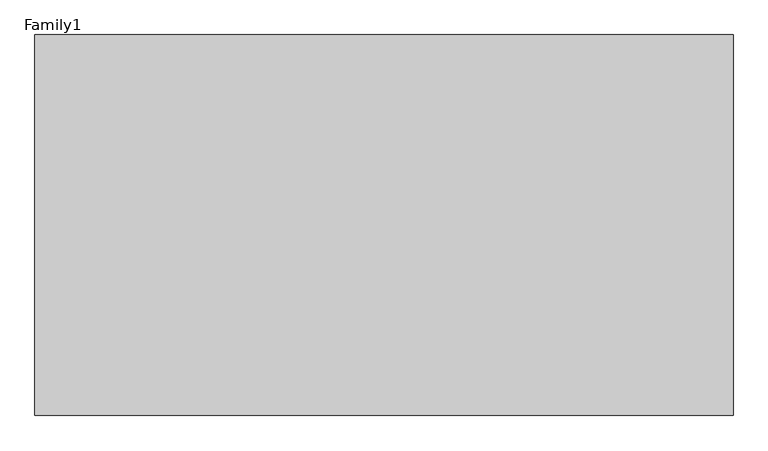
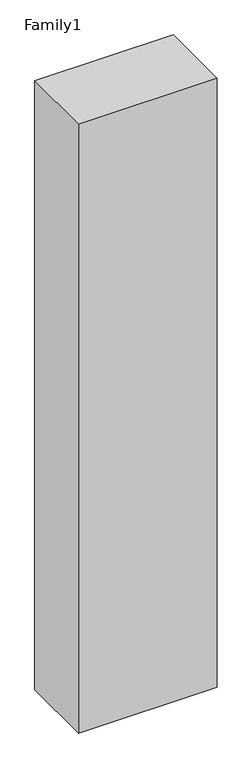
"""IFC4 building model written with IfcOpenShell, lengths in millimetres: proxy geometry, Family1."""

from ifc_helpers import new_model, si_unit, origin, origin_with_axes, place, context, project, spatial, polyline, outline, extrude, source, transform, mapped, element, save


def family1_b796bfb3(model_context):
    return source(origin(), model_context, "Body", "SweptSolid", [
        extrude(outline(polyline([(5500.0, 0.0), (0.0, 0.0), (0.0, 3000.0), (5500.0, 3000.0), (5500.0, 0.0)])), origin_with_axes(), (0.0, 0.0, 1.0), 25500.0),
    ])


if __name__ == "__main__":
    model = new_model("IFC4")
    model_context = context("Model", 3, world=origin())
    ifc_project = project(units=[si_unit("LENGTHUNIT", "METRE", prefix="MILLI")], contexts=[model_context])
    site = spatial("IfcSite", under=ifc_project)
    building = spatial("IfcBuilding", under=site)
    placement = place(None, origin())
    family1_shape = family1_b796bfb3(model_context)
    element("IfcBuildingElementProxy", 1, Name="Family1", ObjectType="Family1", at=placement, inside=building, context=model_context, shape_type="MappedRepresentation", body=[
        mapped(family1_shape, transform((0.0, 0.0, 0.0), x_axis=(1.0, 0.0, 0.0), y_axis=(0.0, 1.0, 0.0), z_axis=(0.0, 0.0, 1.0))),
    ])
    save(model, "model.ifc")
